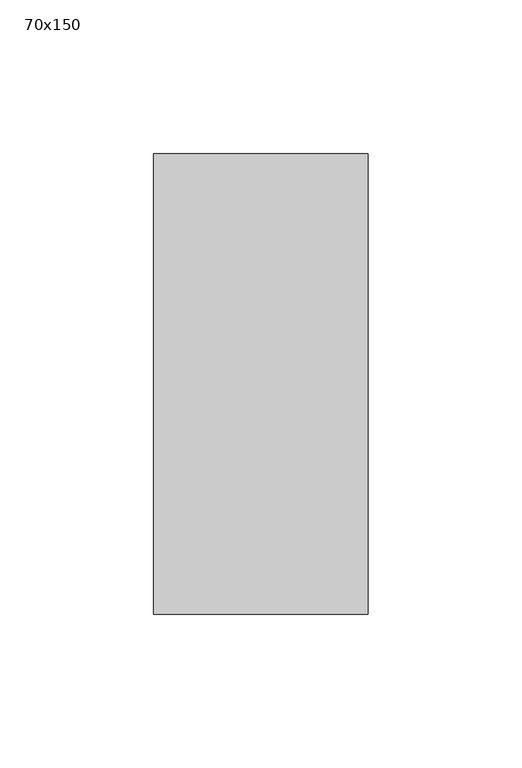
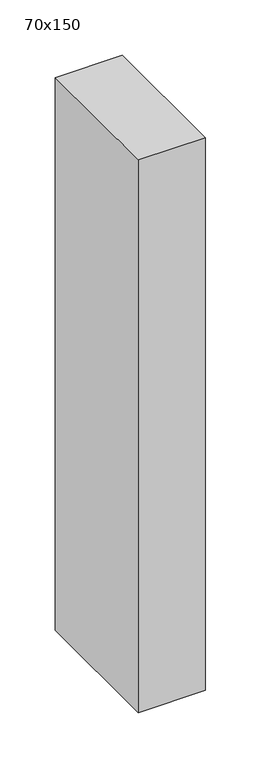
"""IFC4 building model written with IfcOpenShell, lengths in millimetres: member geometry, 70x150."""

from ifc_helpers import new_model, si_unit, frame, origin, place, context, project, spatial, polyline, outline, extrude, source, transform, mapped, element, save


def member_70x150_9f54f7b5(model_context):
    return source(origin(), model_context, "Body", "SweptSolid", [
        extrude(outline(polyline([(0.0, 75.0), (0.0, -75.0), (-70.0, -75.0), (-70.0, 75.0), (0.0, 75.0)])), frame((0.0, 0.0, -610.0), z_axis=(0.0, 0.0, 1.0), x_axis=(1.0, 0.0, 0.0)), (0.0, 0.0, 1.0), 610.0),
    ])


if __name__ == "__main__":
    model = new_model("IFC4")
    model_context = context("Model", 3, world=origin())
    ifc_project = project(units=[si_unit("LENGTHUNIT", "METRE", prefix="MILLI")], contexts=[model_context])
    site = spatial("IfcSite", under=ifc_project)
    building = spatial("IfcBuilding", under=site)
    placement = place(None, origin())
    member_70x150_shape = member_70x150_9f54f7b5(model_context)
    element("IfcMember", 1, ObjectType="70x150", at=placement, inside=building, context=model_context, shape_type="MappedRepresentation", body=[
        mapped(member_70x150_shape, transform((0.0, 0.0, 0.0), x_axis=(1.0, 0.0, 0.0), y_axis=(0.0, 1.0, 0.0), z_axis=(0.0, 0.0, 1.0))),
    ])
    save(model, "model.ifc")
